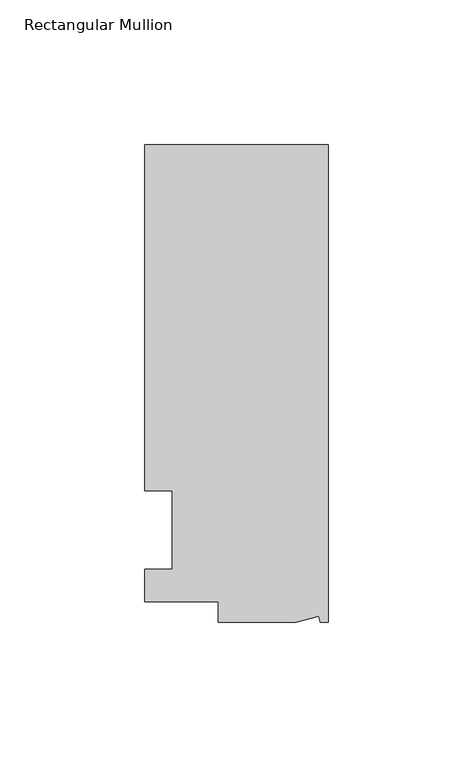
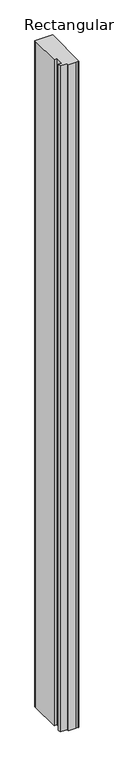
"""IFC4 building model written with IfcOpenShell, lengths in millimetres: member geometry, Rectangular Mullion."""

from ifc_helpers import new_model, si_unit, frame, origin, place, context, project, spatial, polyline, outline, extrude, source, transform, mapped, element, save


def rectangular_mullion_eaa68228(model_context):
    return source(origin(), model_context, "Body", "SweptSolid", [
        extrude(outline(polyline([(0.0, 131.0674452), (0.0, -34.0325548), (-2.7630634, -34.0325548), (-3.3223696, -31.9451957), (-11.1125, -34.0325548), (-38.1, -34.0325548), (-38.1, -27.0729548), (-63.5, -27.0729548), (-63.5, -15.6924375), (-53.975, -15.6924375), (-53.975, 11.3942812), (-63.5, 11.3942812), (-63.5, 124.7174452), (-63.5, 131.0674452), (0.0, 131.0674452)])), frame((0.0, 0.0, -2540.0), z_axis=(0.0, 0.0, 1.0), x_axis=(1.0, 0.0, 0.0)), (0.0, 0.0, 1.0), 2540.0),
    ])


if __name__ == "__main__":
    model = new_model("IFC4")
    model_context = context("Model", 3, world=origin())
    ifc_project = project(units=[si_unit("LENGTHUNIT", "METRE", prefix="MILLI")], contexts=[model_context])
    site = spatial("IfcSite", under=ifc_project)
    building = spatial("IfcBuilding", under=site)
    placement = place(None, origin())
    rectangular_mullion_shape = rectangular_mullion_eaa68228(model_context)
    element("IfcMember", 1, ObjectType="Rectangular Mullion", at=placement, inside=building, context=model_context, shape_type="MappedRepresentation", body=[
        mapped(rectangular_mullion_shape, transform((0.0, 0.0, 0.0), x_axis=(1.0, 0.0, 0.0), y_axis=(0.0, 1.0, 0.0), z_axis=(0.0, 0.0, 1.0))),
    ])
    save(model, "model.ifc")
